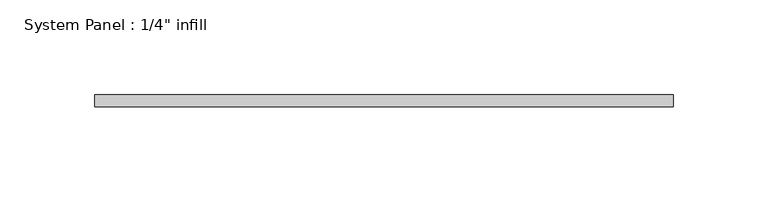
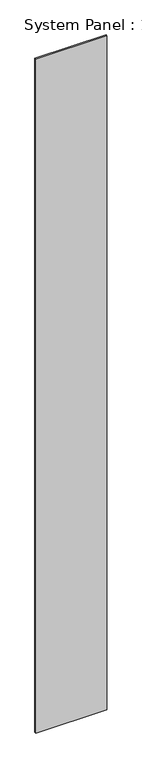
"""IFC4 building model written with IfcOpenShell, lengths in millimetres: plate geometry."""

import ifcopenshell
import ifcopenshell.guid

model = None  # the IFC model being written
_history = None  # IfcOwnerHistory: only IFC2X3 demands one
_inside = {}  # id of a spatial element -> (the spatial element, [elements in it])
_under = {}  # id of a project, library or spatial element -> (it, [spatial elements below it])
_declared = {}  # id of a project -> (the project, [libraries it declares])
_typed = {}  # id of a type object -> (the type object, [elements of that type])
_made_of = {}  # id of a material, layer set ... -> (it, [elements and type objects made of it])


def new_model(schema):
    """Start an empty IFC model of exactly this schema.

    Asked for "IFC4X3", IfcOpenShell would pick the latest addendum, in which some entities
    have other attributes; the version numbers below select the first issue.
    IFC2X3 requires an IfcOwnerHistory on every rooted entity: one is made here for all.
    """
    global model, _history
    if schema == "IFC4X3":
        model = ifcopenshell.file(schema_version=(4, 3, 0, 0))
    else:
        model = ifcopenshell.file(schema=schema)
    _inside.clear()
    _under.clear()
    _declared.clear()
    _typed.clear()
    _made_of.clear()
    _history = None
    if model.schema == "IFC2X3":
        org = make("IfcOrganization", Name="unknown")
        user = make(
            "IfcPersonAndOrganization",
            ThePerson=make("IfcPerson", FamilyName="unknown"),
            TheOrganization=org,
        )
        app = make(
            "IfcApplication",
            ApplicationDeveloper=org,
            Version="unknown",
            ApplicationFullName="unknown",
            ApplicationIdentifier="unknown",
        )
        _history = make(
            "IfcOwnerHistory",
            OwningUser=user,
            OwningApplication=app,
            ChangeAction="ADDED",
            CreationDate=0,
        )
    return model


def make(cls, **values):
    """One entity of the class cls with the attributes given. An attribute that is None is left unset."""
    return model.create_entity(
        cls, **{name: value for name, value in values.items() if value is not None}
    )


def rooted(cls, **values):
    """An entity with a GlobalId (a new one), such as an element, a storey or a relation."""
    return make(cls, GlobalId=ifcopenshell.guid.new(), OwnerHistory=_history, **values)


def si_unit(unit_type, name, prefix=None):
    """IfcSIUnit, for example si_unit("LENGTHUNIT", "METRE", prefix="MILLI")."""
    return make("IfcSIUnit", UnitType=unit_type, Prefix=prefix, Name=name)


def assignment(units):
    """IfcUnitAssignment: the units of a project."""
    return None if units is None else make("IfcUnitAssignment", Units=units)


def point(xyz):
    """IfcCartesianPoint."""
    return None if xyz is None else make("IfcCartesianPoint", Coordinates=xyz)


def direction(xyz):
    """IfcDirection."""
    return None if xyz is None else make("IfcDirection", DirectionRatios=xyz)


def frame(location, z_axis=None, x_axis=None):
    """IfcAxis2Placement3D, a coordinate frame: its origin and axes. An axis left out is left unset."""
    return make(
        "IfcAxis2Placement3D",
        Location=point(location),
        Axis=direction(z_axis),
        RefDirection=direction(x_axis),
    )


def origin():
    """The frame at (0, 0, 0) with its axes left unset."""
    return frame((0.0, 0.0, 0.0))


def origin_with_axes():
    """The frame at (0, 0, 0) with the z axis (0, 0, 1) and the x axis (1, 0, 0) written out."""
    return frame((0.0, 0.0, 0.0), z_axis=(0.0, 0.0, 1.0), x_axis=(1.0, 0.0, 0.0))


def place(relative_to, where):
    """IfcLocalPlacement: puts the frame where relative to a parent placement (None: the world)."""
    return make(
        "IfcLocalPlacement", PlacementRelTo=relative_to, RelativePlacement=where
    )


def context(
    kind, dimensions, precision=None, world=None, true_north=None, identifier=None
):
    """IfcGeometricRepresentationContext, for example the 3D "Model" context."""
    return make(
        "IfcGeometricRepresentationContext",
        ContextIdentifier=identifier,
        ContextType=kind,
        CoordinateSpaceDimension=dimensions,
        Precision=precision,
        WorldCoordinateSystem=world,
        TrueNorth=true_north,
    )


def project(units=None, contexts=None):
    """IfcProject with its units and contexts."""
    return rooted(
        "IfcProject",
        Name="project",
        RepresentationContexts=contexts,
        UnitsInContext=assignment(units),
    )


def spatial(cls, under=None, at=None, **own):
    """A site, building, storey or space (cls), placed at a placement, below another one or the project."""
    s = rooted(cls, ObjectPlacement=at, **own)
    if under is not None:
        _under.setdefault(under.id(), (under, []))[1].append(s)
    return s


def polyline(points):
    """IfcPolyline through the points."""
    return make("IfcPolyline", Points=[point(p) for p in points])


def outline(outer, holes=None, kind="AREA"):
    """IfcArbitraryClosedProfileDef: a profile drawn as a closed curve; with holes, ...WithVoids."""
    if holes is None:
        return make("IfcArbitraryClosedProfileDef", ProfileType=kind, OuterCurve=outer)
    return make(
        "IfcArbitraryProfileDefWithVoids",
        ProfileType=kind,
        OuterCurve=outer,
        InnerCurves=holes,
    )


def extrude(swept, where, along, depth):
    """IfcExtrudedAreaSolid: the profile swept, set in the frame where, extruded along a direction by depth."""
    return make(
        "IfcExtrudedAreaSolid",
        SweptArea=swept,
        Position=where,
        ExtrudedDirection=direction(along),
        Depth=depth,
    )


def shape(context_of_items, identifier, shape_type, items):
    """IfcShapeRepresentation: the items that make up one representation, for example the "Body"."""
    return make(
        "IfcShapeRepresentation",
        ContextOfItems=context_of_items,
        RepresentationIdentifier=identifier,
        RepresentationType=shape_type,
        Items=items,
    )


def source(mapping_origin, context_of_items, identifier, shape_type, items):
    """IfcRepresentationMap: a shape defined once, which mapped items show again and again."""
    return make(
        "IfcRepresentationMap",
        MappingOrigin=mapping_origin,
        MappedRepresentation=shape(context_of_items, identifier, shape_type, items),
    )


def transform(
    local_origin,
    x_axis=None,
    y_axis=None,
    z_axis=None,
    scale=None,
    scale2=None,
    scale3=None,
    uniform=True,
):
    """IfcCartesianTransformationOperator3D, or its non-uniform kind. x_axis, y_axis, z_axis: its Axis1, 2, 3."""
    if uniform:
        return make(
            "IfcCartesianTransformationOperator3D",
            Axis1=direction(x_axis),
            Axis2=direction(y_axis),
            LocalOrigin=point(local_origin),
            Scale=scale,
            Axis3=direction(z_axis),
        )
    return make(
        "IfcCartesianTransformationOperator3DnonUniform",
        Axis1=direction(x_axis),
        Axis2=direction(y_axis),
        LocalOrigin=point(local_origin),
        Scale=scale,
        Axis3=direction(z_axis),
        Scale2=scale2,
        Scale3=scale3,
    )


def mapped(mapping_source, mapping_target):
    """IfcMappedItem: shows the shape of a source again, moved by a transform."""
    return make(
        "IfcMappedItem", MappingSource=mapping_source, MappingTarget=mapping_target
    )


def made_of(thing, what):
    """Note that an element or type object is made of a material, layer set ...; save() writes the relation."""
    if what is not None:
        _made_of.setdefault(what.id(), (what, []))[1].append(thing)
    return thing


def element(
    cls,
    number,
    at=None,
    inside=None,
    cuts=None,
    type_object=None,
    material=None,
    context=None,
    identifier="Body",
    shape_type=None,
    held_by="IfcProductDefinitionShape",
    body=None,
    shapes=None,
    **own,
):
    """One element of the class cls, such as IfcWall. Its Tag is "e" and its number.

    at: its placement. inside: the storey or other place that contains it. cuts: it is an
    opening in that element (IfcRelVoidsElement). A single representation is given by context,
    identifier, shape_type and body (its items); several are given by shapes. held_by: the class
    of the entity that holds the representations. save() writes the other relations.
    """
    e = rooted(cls, Tag="e%d" % number, ObjectPlacement=at, **own)
    if body is not None:
        shapes = [shape(context, identifier, shape_type, body)]
    if shapes is not None:
        e.Representation = make(held_by, Representations=shapes)
    if inside is not None:
        _inside.setdefault(inside.id(), (inside, []))[1].append(e)
    if cuts is not None:
        rooted(
            "IfcRelVoidsElement", RelatingBuildingElement=cuts, RelatedOpeningElement=e
        )
    if type_object is not None:
        _typed.setdefault(type_object.id(), (type_object, []))[1].append(e)
    return made_of(e, material)


def aggregate(whole, parts):
    """IfcRelAggregates: a whole, such as a stair, and the parts it consists of."""
    return rooted("IfcRelAggregates", RelatingObject=whole, RelatedObjects=parts)


def save(model, path):
    """Write the relations noted so far, then the file.

    IfcRelAggregates (storeys below a building ...), IfcRelContainedInSpatialStructure (elements
    in a storey), IfcRelDefinesByType, IfcRelAssociatesMaterial and IfcRelDeclares: one each for
    every whole, place, type object, material and project.
    """
    for whole, parts in _under.values():
        aggregate(whole, parts)
    for where, things in _inside.values():
        rooted(
            "IfcRelContainedInSpatialStructure",
            RelatedElements=things,
            RelatingStructure=where,
        )
    for kind, things in _typed.values():
        rooted("IfcRelDefinesByType", RelatedObjects=things, RelatingType=kind)
    for what, things in _made_of.values():
        rooted("IfcRelAssociatesMaterial", RelatedObjects=things, RelatingMaterial=what)
    for by, libraries in _declared.values():
        rooted("IfcRelDeclares", RelatingContext=by, RelatedDefinitions=libraries)
    model.write(path)


def plate_c001c5b8(model_context):
    return source(origin(), model_context, "Body", "SweptSolid", [
        extrude(outline(polyline([(152.4078398, 0.0), (-152.4078398, 0.0), (-152.4078398, 6.35), (152.4078398, 6.35), (152.4078398, 0.0)])), origin_with_axes(), (0.0, 0.0, 1.0), 3048.0),
    ])


if __name__ == "__main__":
    model = new_model("IFC4")
    model_context = context("Model", 3, world=origin())
    ifc_project = project(units=[si_unit("LENGTHUNIT", "METRE", prefix="MILLI")], contexts=[model_context])
    site = spatial("IfcSite", under=ifc_project)
    building = spatial("IfcBuilding", under=site)
    placement = place(None, origin())
    plate_shape = plate_c001c5b8(model_context)
    element("IfcPlate", 1, ObjectType="System Panel : 1/4\" infill", at=placement, inside=building, context=model_context, shape_type="MappedRepresentation", body=[
        mapped(plate_shape, transform((0.0, 0.0, 0.0), x_axis=(1.0, 0.0, 0.0), y_axis=(0.0, 1.0, 0.0), z_axis=(0.0, 0.0, 1.0))),
    ])
    save(model, "model.ifc")
